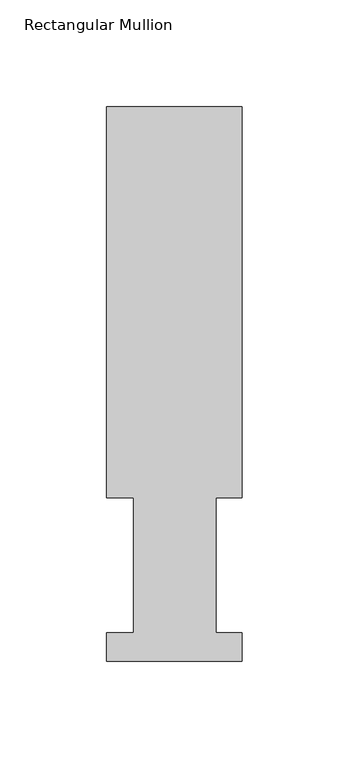
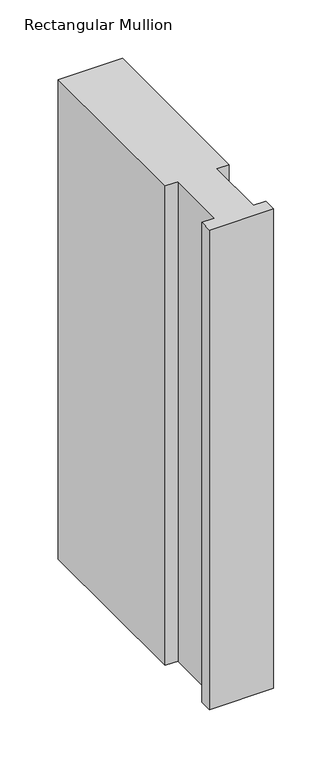
"""IFC4 building model written with IfcOpenShell, lengths in millimetres: member geometry, Rectangular Mullion."""

import ifcopenshell
import ifcopenshell.guid

model = None  # the IFC model being written
_history = None  # IfcOwnerHistory: only IFC2X3 demands one
_inside = {}  # id of a spatial element -> (the spatial element, [elements in it])
_under = {}  # id of a project, library or spatial element -> (it, [spatial elements below it])
_declared = {}  # id of a project -> (the project, [libraries it declares])
_typed = {}  # id of a type object -> (the type object, [elements of that type])
_made_of = {}  # id of a material, layer set ... -> (it, [elements and type objects made of it])


def new_model(schema):
    """Start an empty IFC model of exactly this schema.

    Asked for "IFC4X3", IfcOpenShell would pick the latest addendum, in which some entities
    have other attributes; the version numbers below select the first issue.
    IFC2X3 requires an IfcOwnerHistory on every rooted entity: one is made here for all.
    """
    global model, _history
    if schema == "IFC4X3":
        model = ifcopenshell.file(schema_version=(4, 3, 0, 0))
    else:
        model = ifcopenshell.file(schema=schema)
    _inside.clear()
    _under.clear()
    _declared.clear()
    _typed.clear()
    _made_of.clear()
    _history = None
    if model.schema == "IFC2X3":
        org = make("IfcOrganization", Name="unknown")
        user = make(
            "IfcPersonAndOrganization",
            ThePerson=make("IfcPerson", FamilyName="unknown"),
            TheOrganization=org,
        )
        app = make(
            "IfcApplication",
            ApplicationDeveloper=org,
            Version="unknown",
            ApplicationFullName="unknown",
            ApplicationIdentifier="unknown",
        )
        _history = make(
            "IfcOwnerHistory",
            OwningUser=user,
            OwningApplication=app,
            ChangeAction="ADDED",
            CreationDate=0,
        )
    return model


def make(cls, **values):
    """One entity of the class cls with the attributes given. An attribute that is None is left unset."""
    return model.create_entity(
        cls, **{name: value for name, value in values.items() if value is not None}
    )


def rooted(cls, **values):
    """An entity with a GlobalId (a new one), such as an element, a storey or a relation."""
    return make(cls, GlobalId=ifcopenshell.guid.new(), OwnerHistory=_history, **values)


def si_unit(unit_type, name, prefix=None):
    """IfcSIUnit, for example si_unit("LENGTHUNIT", "METRE", prefix="MILLI")."""
    return make("IfcSIUnit", UnitType=unit_type, Prefix=prefix, Name=name)


def assignment(units):
    """IfcUnitAssignment: the units of a project."""
    return None if units is None else make("IfcUnitAssignment", Units=units)


def point(xyz):
    """IfcCartesianPoint."""
    return None if xyz is None else make("IfcCartesianPoint", Coordinates=xyz)


def direction(xyz):
    """IfcDirection."""
    return None if xyz is None else make("IfcDirection", DirectionRatios=xyz)


def frame(location, z_axis=None, x_axis=None):
    """IfcAxis2Placement3D, a coordinate frame: its origin and axes. An axis left out is left unset."""
    return make(
        "IfcAxis2Placement3D",
        Location=point(location),
        Axis=direction(z_axis),
        RefDirection=direction(x_axis),
    )


def origin():
    """The frame at (0, 0, 0) with its axes left unset."""
    return frame((0.0, 0.0, 0.0))


def place(relative_to, where):
    """IfcLocalPlacement: puts the frame where relative to a parent placement (None: the world)."""
    return make(
        "IfcLocalPlacement", PlacementRelTo=relative_to, RelativePlacement=where
    )


def context(
    kind, dimensions, precision=None, world=None, true_north=None, identifier=None
):
    """IfcGeometricRepresentationContext, for example the 3D "Model" context."""
    return make(
        "IfcGeometricRepresentationContext",
        ContextIdentifier=identifier,
        ContextType=kind,
        CoordinateSpaceDimension=dimensions,
        Precision=precision,
        WorldCoordinateSystem=world,
        TrueNorth=true_north,
    )


def project(units=None, contexts=None):
    """IfcProject with its units and contexts."""
    return rooted(
        "IfcProject",
        Name="project",
        RepresentationContexts=contexts,
        UnitsInContext=assignment(units),
    )


def spatial(cls, under=None, at=None, **own):
    """A site, building, storey or space (cls), placed at a placement, below another one or the project."""
    s = rooted(cls, ObjectPlacement=at, **own)
    if under is not None:
        _under.setdefault(under.id(), (under, []))[1].append(s)
    return s


def polyline(points):
    """IfcPolyline through the points."""
    return make("IfcPolyline", Points=[point(p) for p in points])


def outline(outer, holes=None, kind="AREA"):
    """IfcArbitraryClosedProfileDef: a profile drawn as a closed curve; with holes, ...WithVoids."""
    if holes is None:
        return make("IfcArbitraryClosedProfileDef", ProfileType=kind, OuterCurve=outer)
    return make(
        "IfcArbitraryProfileDefWithVoids",
        ProfileType=kind,
        OuterCurve=outer,
        InnerCurves=holes,
    )


def extrude(swept, where, along, depth):
    """IfcExtrudedAreaSolid: the profile swept, set in the frame where, extruded along a direction by depth."""
    return make(
        "IfcExtrudedAreaSolid",
        SweptArea=swept,
        Position=where,
        ExtrudedDirection=direction(along),
        Depth=depth,
    )


def shape(context_of_items, identifier, shape_type, items):
    """IfcShapeRepresentation: the items that make up one representation, for example the "Body"."""
    return make(
        "IfcShapeRepresentation",
        ContextOfItems=context_of_items,
        RepresentationIdentifier=identifier,
        RepresentationType=shape_type,
        Items=items,
    )


def source(mapping_origin, context_of_items, identifier, shape_type, items):
    """IfcRepresentationMap: a shape defined once, which mapped items show again and again."""
    return make(
        "IfcRepresentationMap",
        MappingOrigin=mapping_origin,
        MappedRepresentation=shape(context_of_items, identifier, shape_type, items),
    )


def transform(
    local_origin,
    x_axis=None,
    y_axis=None,
    z_axis=None,
    scale=None,
    scale2=None,
    scale3=None,
    uniform=True,
):
    """IfcCartesianTransformationOperator3D, or its non-uniform kind. x_axis, y_axis, z_axis: its Axis1, 2, 3."""
    if uniform:
        return make(
            "IfcCartesianTransformationOperator3D",
            Axis1=direction(x_axis),
            Axis2=direction(y_axis),
            LocalOrigin=point(local_origin),
            Scale=scale,
            Axis3=direction(z_axis),
        )
    return make(
        "IfcCartesianTransformationOperator3DnonUniform",
        Axis1=direction(x_axis),
        Axis2=direction(y_axis),
        LocalOrigin=point(local_origin),
        Scale=scale,
        Axis3=direction(z_axis),
        Scale2=scale2,
        Scale3=scale3,
    )


def mapped(mapping_source, mapping_target):
    """IfcMappedItem: shows the shape of a source again, moved by a transform."""
    return make(
        "IfcMappedItem", MappingSource=mapping_source, MappingTarget=mapping_target
    )


def made_of(thing, what):
    """Note that an element or type object is made of a material, layer set ...; save() writes the relation."""
    if what is not None:
        _made_of.setdefault(what.id(), (what, []))[1].append(thing)
    return thing


def element(
    cls,
    number,
    at=None,
    inside=None,
    cuts=None,
    type_object=None,
    material=None,
    context=None,
    identifier="Body",
    shape_type=None,
    held_by="IfcProductDefinitionShape",
    body=None,
    shapes=None,
    **own,
):
    """One element of the class cls, such as IfcWall. Its Tag is "e" and its number.

    at: its placement. inside: the storey or other place that contains it. cuts: it is an
    opening in that element (IfcRelVoidsElement). A single representation is given by context,
    identifier, shape_type and body (its items); several are given by shapes. held_by: the class
    of the entity that holds the representations. save() writes the other relations.
    """
    e = rooted(cls, Tag="e%d" % number, ObjectPlacement=at, **own)
    if body is not None:
        shapes = [shape(context, identifier, shape_type, body)]
    if shapes is not None:
        e.Representation = make(held_by, Representations=shapes)
    if inside is not None:
        _inside.setdefault(inside.id(), (inside, []))[1].append(e)
    if cuts is not None:
        rooted(
            "IfcRelVoidsElement", RelatingBuildingElement=cuts, RelatedOpeningElement=e
        )
    if type_object is not None:
        _typed.setdefault(type_object.id(), (type_object, []))[1].append(e)
    return made_of(e, material)


def aggregate(whole, parts):
    """IfcRelAggregates: a whole, such as a stair, and the parts it consists of."""
    return rooted("IfcRelAggregates", RelatingObject=whole, RelatedObjects=parts)


def save(model, path):
    """Write the relations noted so far, then the file.

    IfcRelAggregates (storeys below a building ...), IfcRelContainedInSpatialStructure (elements
    in a storey), IfcRelDefinesByType, IfcRelAssociatesMaterial and IfcRelDeclares: one each for
    every whole, place, type object, material and project.
    """
    for whole, parts in _under.values():
        aggregate(whole, parts)
    for where, things in _inside.values():
        rooted(
            "IfcRelContainedInSpatialStructure",
            RelatedElements=things,
            RelatingStructure=where,
        )
    for kind, things in _typed.values():
        rooted("IfcRelDefinesByType", RelatedObjects=things, RelatingType=kind)
    for what, things in _made_of.values():
        rooted("IfcRelAssociatesMaterial", RelatedObjects=things, RelatingMaterial=what)
    for by, libraries in _declared.values():
        rooted("IfcRelDeclares", RelatingContext=by, RelatedDefinitions=libraries)
    model.write(path)


def rectangular_mullion_75900390(model_context):
    return source(origin(), model_context, "Body", "SweptSolid", [
        extrude(outline(polyline([(-63.5, 76.2992187), (-63.5, 259.4591074), (0.0, 259.4591074), (0.0, 76.2992187), (-12.3418395, 76.2992187), (-12.3418395, 13.1492189), (0.0, 13.1492189), (0.0, -0.0333811), (-63.5, -0.0333811), (-63.5, 13.1492189), (-50.8, 13.1492189), (-50.8, 76.2992187), (-63.5, 76.2992187)])), frame((0.0, 0.0, -501.65), z_axis=(0.0, 0.0, 1.0), x_axis=(1.0, 0.0, 0.0)), (0.0, 0.0, 1.0), 501.65),
    ])


if __name__ == "__main__":
    model = new_model("IFC4")
    model_context = context("Model", 3, world=origin())
    ifc_project = project(units=[si_unit("LENGTHUNIT", "METRE", prefix="MILLI")], contexts=[model_context])
    site = spatial("IfcSite", under=ifc_project)
    building = spatial("IfcBuilding", under=site)
    placement = place(None, origin())
    rectangular_mullion_shape = rectangular_mullion_75900390(model_context)
    element("IfcMember", 1, ObjectType="Rectangular Mullion", at=placement, inside=building, context=model_context, shape_type="MappedRepresentation", body=[
        mapped(rectangular_mullion_shape, transform((0.0, 0.0, 0.0), x_axis=(1.0, 0.0, 0.0), y_axis=(0.0, 1.0, 0.0), z_axis=(0.0, 0.0, 1.0))),
    ])
    save(model, "model.ifc")
